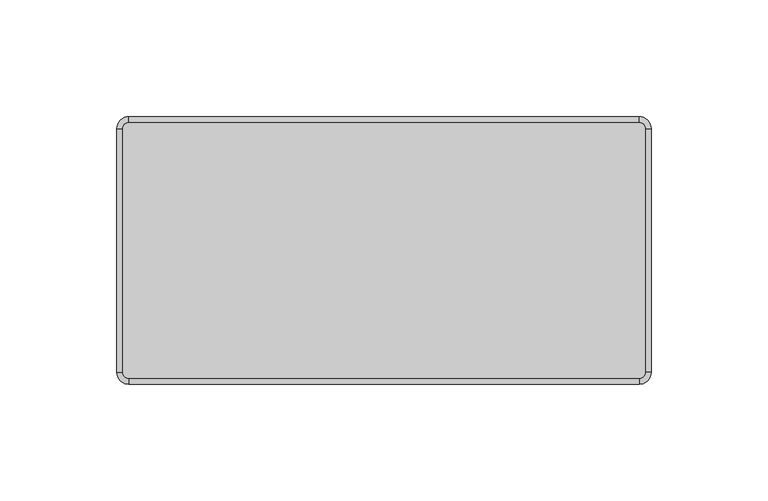
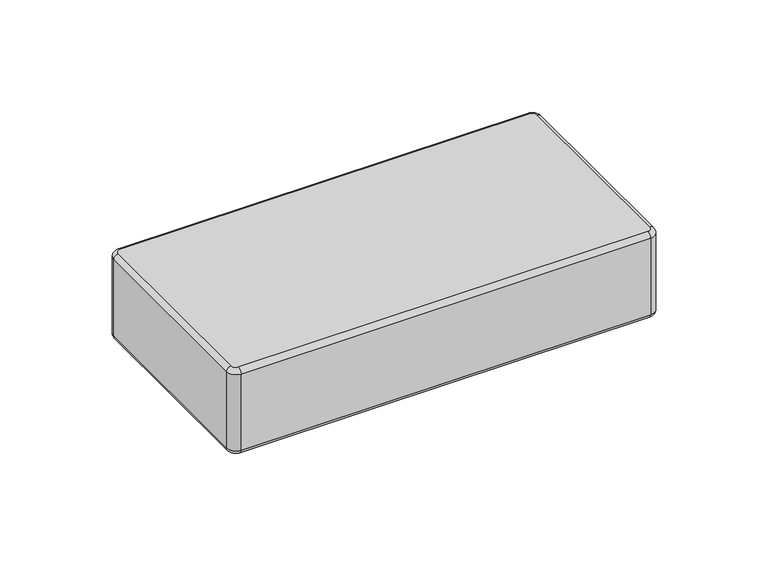
"""IFC4 building model written with IfcOpenShell, lengths in millimetres: plate geometry."""

from ifc_helpers import new_model, si_unit, point, frame, origin, place, context, project, spatial, circle_curve, ellipse_curve, trimmed, source, transform, mapped, element, save
from ifc_brep_helpers import plane_surface, cylinder_surface, revolved_surface, advanced_brep


def plate_f6109bcd(model_context):
    return source(origin(), model_context, "Body", "AdvancedBrep", [
        advanced_brep(
        [(111.8000002, 52.15, 48.0), (109.3000002, 54.65, 48.0), (-109.2999998, 54.65, 48.0), (-111.7999998, 52.15, 48.0), (-111.7999998, -52.15, 48.0), (-109.2999998, -54.65, 48.0), (109.3000002, -54.65, 48.0), (111.8000002, -52.15, 48.0), (-111.7999998, 52.15, 0.0), (-109.2999998, 54.65, 0.0), (109.3000002, 54.65, 0.0), (111.8000002, 52.15, 0.0), (111.8000002, -52.15, 0.0), (109.3000002, -54.65, 0.0), (-109.2999998, -54.65, 0.0), (-111.7999998, -52.15, 0.0), (-109.2999998, -57.15, 2.5), (109.3000002, -57.15, 2.5), (109.3000002, -57.15, 45.5), (-109.2999998, -57.15, 45.5), (114.3000002, -52.15, 2.5), (114.3000002, 52.15, 2.5), (114.3000002, 52.15, 45.5000019), (114.3000002, -52.15, 45.5), (109.3000002, 57.15, 2.5), (-109.2999998, 57.15, 2.5), (-109.2999998, 57.15, 45.5), (109.3000002, 57.15, 45.5), (-114.2999998, 52.15, 2.5), (-114.2999998, -52.15, 2.5), (-114.2999998, -52.15, 45.5), (-114.2999998, 52.15, 45.5)],
        [
            (0, 1, circle_curve(frame((109.3000002, 52.15, 48.0), z_axis=(0.0, 0.0, 1.0), x_axis=(1.0, 0.0, 0.0)), 2.5)),
            (1, 2),
            (2, 3, circle_curve(frame((-109.2999998, 52.15, 48.0), z_axis=(0.0, 0.0, 1.0), x_axis=(0.0, 1.0, 0.0)), 2.5)),
            (3, 4),
            (4, 5, circle_curve(frame((-109.2999998, -52.15, 48.0), z_axis=(0.0, 0.0, 1.0), x_axis=(-1.0, 0.0, 0.0)), 2.5)),
            (5, 6),
            (6, 7, circle_curve(frame((109.3000002, -52.15, 48.0), z_axis=(0.0, 0.0, 1.0), x_axis=(0.0, -1.0, 0.0)), 2.5)),
            (7, 0),
            (8, 9, circle_curve(frame((-109.2999998, 52.15, 0.0), z_axis=(0.0, 0.0, -1.0), x_axis=(-1.0, 0.0, 0.0)), 2.5)),
            (9, 10),
            (10, 11, circle_curve(frame((109.3000002, 52.15, 0.0), z_axis=(0.0, 0.0, -1.0), x_axis=(0.0, 1.0, 0.0)), 2.5)),
            (11, 12),
            (12, 13, circle_curve(frame((109.3000002, -52.15, 0.0), z_axis=(0.0, 0.0, -1.0), x_axis=(1.0, 0.0, 0.0)), 2.5)),
            (13, 14),
            (14, 15, circle_curve(frame((-109.2999998, -52.15, 0.0), z_axis=(0.0, 0.0, -1.0), x_axis=(0.0, -1.0, 0.0)), 2.5)),
            (15, 8),
            (16, 17),
            (17, 18),
            (18, 19),
            (19, 16),
            (20, 21),
            (21, 22),
            (22, 23),
            (23, 20),
            (24, 25),
            (25, 26),
            (26, 27),
            (27, 24),
            (28, 29),
            (29, 30),
            (30, 31),
            (31, 28),
            (29, 16, circle_curve(frame((-109.2999998, -52.15, 2.5), z_axis=(0.0, 0.0, 1.0), x_axis=(1.0, 0.0, 0.0)), 5.0)),
            (19, 30, circle_curve(frame((-109.2999998, -52.15, 45.5), z_axis=(0.0, 0.0, -1.0), x_axis=(1.0, 0.0, 0.0)), 5.0)),
            (17, 20, circle_curve(frame((109.3000002, -52.15, 2.5), z_axis=(0.0, 0.0, 1.0), x_axis=(1.0, 0.0, 0.0)), 5.0)),
            (23, 18, circle_curve(frame((109.3000002, -52.15, 45.5), z_axis=(0.0, 0.0, -1.0), x_axis=(1.0, 0.0, 0.0)), 5.0)),
            (21, 24, circle_curve(frame((109.3000002, 52.15, 2.5), z_axis=(0.0, 0.0, 1.0), x_axis=(1.0, 0.0, 0.0)), 5.0)),
            (27, 22, circle_curve(frame((109.3000002, 52.15, 45.5), z_axis=(0.0, 0.0, -1.0), x_axis=(1.0, 0.0, 0.0)), 5.0)),
            (25, 28, circle_curve(frame((-109.2999998, 52.15, 2.5), z_axis=(0.0, 0.0, 1.0), x_axis=(1.0, 0.0, 0.0)), 5.0)),
            (31, 26, circle_curve(frame((-109.2999998, 52.15, 45.5), z_axis=(0.0, 0.0, -1.0), x_axis=(1.0, 0.0, 0.0)), 5.0)),
            (25, 9, circle_curve(frame((-109.2999998, 54.65, 2.5), z_axis=(-1.0, 0.0, 0.0), x_axis=(0.0, -1.0, 0.0)), 2.5)),
            (8, 28, circle_curve(frame((-111.7999998, 52.15, 2.5), z_axis=(0.0, 1.0, 0.0), x_axis=(1.0, 0.0, 0.0)), 2.5)),
            (24, 10, circle_curve(frame((109.3000002, 54.65, 2.5), z_axis=(-1.0, 0.0, 0.0), x_axis=(0.0, -1.0, 0.0)), 2.5)),
            (21, 11, circle_curve(frame((111.8000002, 52.15, 2.5), z_axis=(0.0, 1.0, 0.0), x_axis=(-1.0, 0.0, 0.0)), 2.5)),
            (20, 12, circle_curve(frame((111.8000002, -52.15, 2.5), z_axis=(0.0, 1.0, 0.0), x_axis=(-1.0, 0.0, 0.0)), 2.5)),
            (17, 13, circle_curve(frame((109.3000002, -54.65, 2.5), z_axis=(1.0, 0.0, 0.0), x_axis=(0.0, 1.0, 0.0)), 2.5)),
            (16, 14, circle_curve(frame((-109.2999998, -54.65, 2.5), z_axis=(1.0, 0.0, 0.0), x_axis=(0.0, 1.0, 0.0)), 2.5)),
            (29, 15, circle_curve(frame((-111.7999998, -52.15, 2.5), z_axis=(0.0, -1.0, 0.0), x_axis=(1.0, 0.0, 0.0)), 2.5)),
            (27, 1, circle_curve(frame((109.3000002, 54.65, 45.5), z_axis=(1.0, 0.0, 0.0), x_axis=(0.0, -1.0, 0.0)), 2.5)),
            (0, 22, circle_curve(frame((111.8000002, 52.15, 45.5), z_axis=(0.0, 1.0, 0.0), x_axis=(-1.0, 0.0, 0.0)), 2.5)),
            (26, 2, circle_curve(frame((-109.2999998, 54.65, 45.5), z_axis=(1.0, 0.0, 0.0), x_axis=(0.0, -1.0, 0.0)), 2.5)),
            (31, 3, circle_curve(frame((-111.7999998, 52.15, 45.5), z_axis=(0.0, 1.0, 0.0), x_axis=(1.0, 0.0, 0.0)), 2.5)),
            (30, 4, circle_curve(frame((-111.7999998, -52.15, 45.5), z_axis=(0.0, 1.0, 0.0), x_axis=(1.0, 0.0, 0.0)), 2.5)),
            (19, 5, circle_curve(frame((-109.2999998, -54.65, 45.5), z_axis=(-1.0, 0.0, 0.0), x_axis=(0.0, 1.0, 0.0)), 2.5)),
            (18, 6, circle_curve(frame((109.3000002, -54.65, 45.5), z_axis=(-1.0, 0.0, 0.0), x_axis=(0.0, 1.0, 0.0)), 2.5)),
            (23, 7, circle_curve(frame((111.8000002, -52.15, 45.5), z_axis=(0.0, -1.0, 0.0), x_axis=(-1.0, 0.0, 0.0)), 2.5)),
        ],
        [
            plane_surface(frame((-104.2999998, -52.15, 48.0), z_axis=(0.0, 0.0, 1.0), x_axis=(0.0, 1.0, 0.0))),
            plane_surface(frame((-104.2999998, -52.15, 0.0), z_axis=(0.0, 0.0, -1.0), x_axis=(0.0, -1.0, 0.0))),
            plane_surface(frame((-109.2999998, -57.15, 48.0), z_axis=(0.0, -1.0, 0.0), x_axis=(0.0, 0.0, -1.0))),
            plane_surface(frame((114.3000002, -52.15, 48.0), z_axis=(1.0, 0.0, 0.0), x_axis=(0.0, 0.0, -1.0))),
            plane_surface(frame((109.3000002, 57.15, 48.0), z_axis=(0.0, 1.0, 0.0), x_axis=(0.0, 0.0, -1.0))),
            plane_surface(frame((-114.2999998, 52.15, 48.0), z_axis=(-1.0, 0.0, 0.0), x_axis=(0.0, 0.0, -1.0))),
            cylinder_surface(frame((-109.2999998, -52.15, 0.0), z_axis=(0.0, 0.0, 1.0), x_axis=(1.0, 0.0, 0.0)), 5.0),
            cylinder_surface(frame((109.3000002, -52.15, 0.0), z_axis=(0.0, 0.0, 1.0), x_axis=(1.0, 0.0, 0.0)), 5.0),
            cylinder_surface(frame((109.3000002, 52.15, 0.0), z_axis=(0.0, 0.0, 1.0), x_axis=(1.0, 0.0, 0.0)), 5.0),
            cylinder_surface(frame((-109.2999998, 52.15, 0.0), z_axis=(0.0, 0.0, 1.0), x_axis=(1.0, 0.0, 0.0)), 5.0),
            revolved_surface(trimmed(ellipse_curve(frame((-111.7999998, 52.15, 2.5), z_axis=(0.0, -1.0, 0.0), x_axis=(1.0, 0.0, 0.0)), 2.5, 2.5), [point((-114.2999998, 52.15, 2.5))], [point((-111.7999998, 52.15, 0.0))], True, "CARTESIAN"), (-109.2999998, 52.15, 0.0), (0.0, 0.0, -1.0)),
            cylinder_surface(frame((-109.2999998, 54.65, 2.5), z_axis=(1.0, 0.0, 0.0), x_axis=(0.0, -1.0, 0.0)), 2.5),
            revolved_surface(trimmed(ellipse_curve(frame((109.3000002, 54.65, 2.5), z_axis=(-1.0, 0.0, 0.0), x_axis=(0.0, -1.0, 0.0)), 2.5, 2.5), [point((109.3000002, 57.15, 2.5))], [point((109.3000002, 54.65, 0.0))], True, "CARTESIAN"), (109.3000002, 52.15, 0.0), (0.0, 0.0, -1.0)),
            cylinder_surface(frame((111.8000002, 52.15, 2.5), z_axis=(0.0, -1.0, 0.0), x_axis=(-1.0, 0.0, 0.0)), 2.5),
            revolved_surface(trimmed(ellipse_curve(frame((111.8000002, -52.15, 2.5), z_axis=(0.0, 1.0, 0.0), x_axis=(-1.0, 0.0, 0.0)), 2.5, 2.5), [point((114.3000002, -52.15, 2.5))], [point((111.8000002, -52.15, 0.0))], True, "CARTESIAN"), (109.3000002, -52.15, 0.0), (0.0, 0.0, -1.0)),
            cylinder_surface(frame((109.3000002, -54.65, 2.5), z_axis=(-1.0, 0.0, 0.0), x_axis=(0.0, 1.0, 0.0)), 2.5),
            revolved_surface(trimmed(ellipse_curve(frame((-109.2999998, -54.65, 2.5), z_axis=(1.0, 0.0, 0.0), x_axis=(0.0, 1.0, 0.0)), 2.5, 2.5), [point((-109.2999998, -57.15, 2.5))], [point((-109.2999998, -54.65, 0.0))], True, "CARTESIAN"), (-109.2999998, -52.15, 0.0), (0.0, 0.0, -1.0)),
            cylinder_surface(frame((-111.7999998, -52.15, 2.5), z_axis=(0.0, 1.0, 0.0), x_axis=(1.0, 0.0, 0.0)), 2.5),
            revolved_surface(trimmed(ellipse_curve(frame((111.8000002, 52.15, 45.5), z_axis=(0.0, -1.0, 0.0), x_axis=(-1.0, 0.0, 0.0)), 2.5, 2.5), [point((114.3000002, 52.15, 45.5))], [point((111.8000002, 52.15, 48.0))], True, "CARTESIAN"), (109.3000002, 52.15, 48.0), (0.0, 0.0, 1.0)),
            cylinder_surface(frame((109.3000002, 54.65, 45.5), z_axis=(-1.0, 0.0, 0.0), x_axis=(0.0, -1.0, 0.0)), 2.5),
            revolved_surface(trimmed(ellipse_curve(frame((-109.2999998, 54.65, 45.5), z_axis=(1.0, 0.0, 0.0), x_axis=(0.0, -1.0, 0.0)), 2.5, 2.5), [point((-109.2999998, 57.15, 45.5))], [point((-109.2999998, 54.65, 48.0))], True, "CARTESIAN"), (-109.2999998, 52.15, 48.0), (0.0, 0.0, 1.0)),
            cylinder_surface(frame((-111.7999998, 52.15, 45.5), z_axis=(0.0, -1.0, 0.0), x_axis=(1.0, 0.0, 0.0)), 2.5),
            revolved_surface(trimmed(ellipse_curve(frame((-111.7999998, -52.15, 45.5), z_axis=(0.0, 1.0, 0.0), x_axis=(1.0, 0.0, 0.0)), 2.5, 2.5), [point((-114.2999998, -52.15, 45.5))], [point((-111.7999998, -52.15, 48.0))], True, "CARTESIAN"), (-109.2999998, -52.15, 48.0), (0.0, 0.0, 1.0)),
            cylinder_surface(frame((-109.2999998, -54.65, 45.5), z_axis=(1.0, 0.0, 0.0), x_axis=(0.0, 1.0, 0.0)), 2.5),
            revolved_surface(trimmed(ellipse_curve(frame((109.3000002, -54.65, 45.5), z_axis=(-1.0, 0.0, 0.0), x_axis=(0.0, 1.0, 0.0)), 2.5, 2.5), [point((109.3000002, -57.15, 45.5))], [point((109.3000002, -54.65, 48.0))], True, "CARTESIAN"), (109.3000002, -52.15, 48.0), (0.0, 0.0, 1.0)),
            cylinder_surface(frame((111.8000002, -52.15, 45.5), z_axis=(0.0, 1.0, 0.0), x_axis=(-1.0, 0.0, 0.0)), 2.5),
        ],
        [
            (0, [[1, 2, 3, 4, 5, 6, 7, 8]]),
            (1, [[9, 10, 11, 12, 13, 14, 15, 16]]),
            (2, [[17, 18, 19, 20]]),
            (3, [[21, 22, 23, 24]]),
            (4, [[25, 26, 27, 28]]),
            (5, [[29, 30, 31, 32]]),
            (6, [[33, -20, 34, -30]]),
            (7, [[35, -24, 36, -18]]),
            (8, [[37, -28, 38, -22]]),
            (9, [[39, -32, 40, -26]]),
            (10, [[41, -9, 42, -39]]),
            (11, [[-41, -25, 43, -10]]),
            (12, [[-43, -37, 44, -11]]),
            (13, [[-44, -21, 45, -12]]),
            (14, [[-45, -35, 46, -13]]),
            (15, [[-46, -17, 47, -14]]),
            (16, [[-47, -33, 48, -15]]),
            (17, [[-42, -16, -48, -29]]),
            (18, [[49, -1, 50, -38]]),
            (19, [[-49, -27, 51, -2]]),
            (20, [[-51, -40, 52, -3]]),
            (21, [[-52, -31, 53, -4]]),
            (22, [[-53, -34, 54, -5]]),
            (23, [[-54, -19, 55, -6]]),
            (24, [[-55, -36, 56, -7]]),
            (25, [[-50, -8, -56, -23]]),
        ],
    ),
    ])


if __name__ == "__main__":
    model = new_model("IFC4")
    model_context = context("Model", 3, world=origin())
    ifc_project = project(units=[si_unit("LENGTHUNIT", "METRE", prefix="MILLI")], contexts=[model_context])
    site = spatial("IfcSite", under=ifc_project)
    building = spatial("IfcBuilding", under=site)
    placement = place(None, origin())
    plate_shape = plate_f6109bcd(model_context)
    element("IfcPlate", 1, at=placement, inside=building, context=model_context, shape_type="MappedRepresentation", body=[
        mapped(plate_shape, transform((0.0, 0.0, 0.0), x_axis=(1.0, 0.0, 0.0), y_axis=(0.0, 1.0, 0.0), z_axis=(0.0, 0.0, 1.0))),
    ])
    save(model, "model.ifc")
